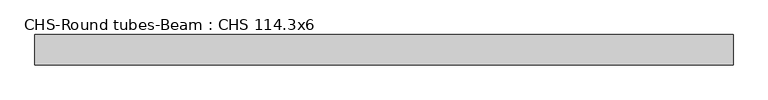
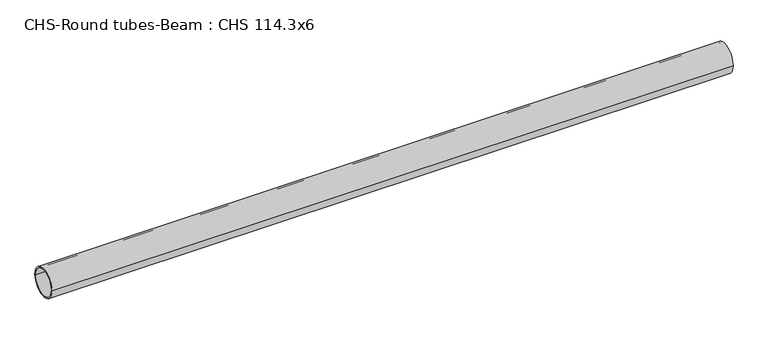
"""IFC4 building model written with IfcOpenShell, lengths in millimetres: beam geometry, CHS-Round tubes-Beam : CHS 114.3x6."""

from ifc_helpers import new_model, si_unit, point, frame, origin, origin_2d, place, context, project, spatial, circle_curve, trimmed, segment, composite_curve, outline, extrude, source, transform, mapped, element, save


def chs_round_tubes_beam_chs_114_3x6_c76f50ff(model_context):
    return source(origin(), model_context, "Body", "SweptSolid", [
        extrude(outline(composite_curve([segment(trimmed(circle_curve(origin_2d(), 57.15), [point((57.15, 0.0))], [point((-57.15, 0.0))], False, "CARTESIAN"), True, "CONTINUOUS"), segment(trimmed(circle_curve(origin_2d(), 57.15), [point((-57.15, 0.0))], [point((57.15, 0.0))], False, "CARTESIAN"), True, "CONTINUOUS")], self_intersect=False), holes=[composite_curve([segment(trimmed(circle_curve(origin_2d(), 51.15), [point((51.15, 0.0))], [point((-51.15, 0.0))], True, "CARTESIAN"), True, "CONTINUOUS"), segment(trimmed(circle_curve(origin_2d(), 51.15), [point((-51.15, 0.0))], [point((51.15, 0.0))], True, "CARTESIAN"), True, "CONTINUOUS")], self_intersect=False)]), frame((-1268.5526951, 0.0, 0.0), z_axis=(1.0, 0.0, 0.0), x_axis=(0.0, 1.0, 0.0)), (0.0, 0.0, 1.0), 2636.3346006),
    ])


if __name__ == "__main__":
    model = new_model("IFC4")
    model_context = context("Model", 3, world=origin())
    ifc_project = project(units=[si_unit("LENGTHUNIT", "METRE", prefix="MILLI")], contexts=[model_context])
    site = spatial("IfcSite", under=ifc_project)
    building = spatial("IfcBuilding", under=site)
    placement = place(None, origin())
    chs_round_tubes_beam_chs_114_3x6_shape = chs_round_tubes_beam_chs_114_3x6_c76f50ff(model_context)
    element("IfcBeam", 1, ObjectType="CHS-Round tubes-Beam : CHS 114.3x6", at=placement, inside=building, context=model_context, shape_type="MappedRepresentation", body=[
        mapped(chs_round_tubes_beam_chs_114_3x6_shape, transform((0.0, 0.0, 0.0), x_axis=(1.0, 0.0, 0.0), y_axis=(0.0, 1.0, 0.0), z_axis=(0.0, 0.0, 1.0))),
    ])
    save(model, "model.ifc")
